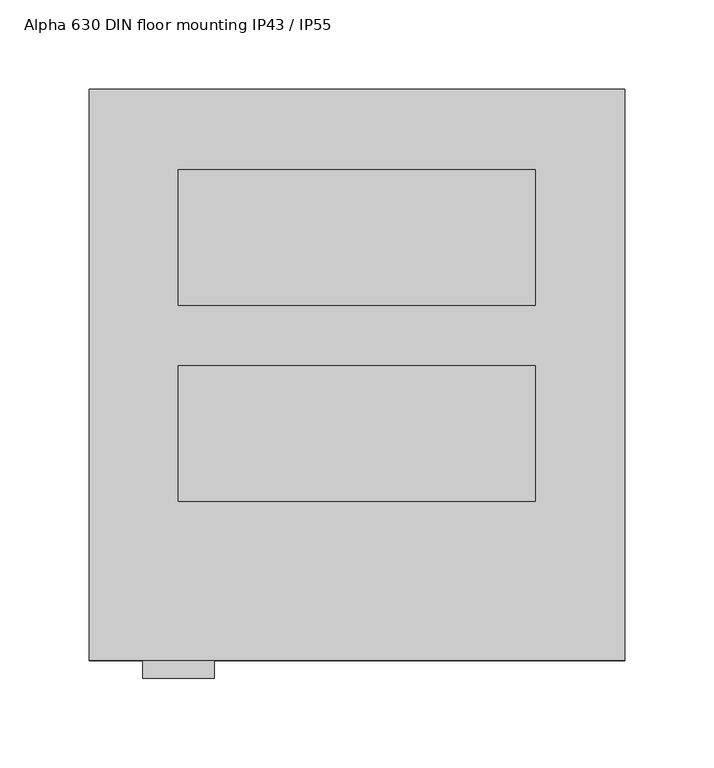
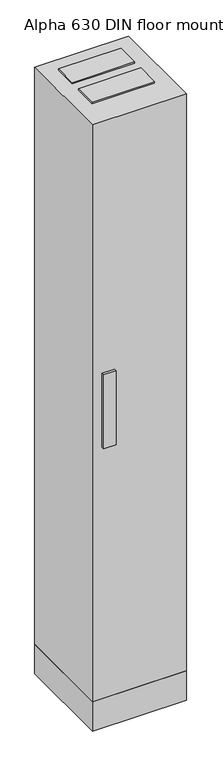
"""IFC4 building model written with IfcOpenShell, lengths in millimetres: proxy geometry, Alpha 630 DIN floor mounting IP43 / IP55."""

from ifc_helpers import new_model, si_unit, frame, origin, origin_with_axes, place, context, project, spatial, polyline, outline, extrude, source, transform, mapped, element, save


def alpha_630_din_floor_mounting_ip43_ip55_2631387a(model_context):
    return source(origin(), model_context, "Body", "SweptSolid", [
        extrude(outline(polyline([(250.0, -155.0), (250.0, -231.0), (50.0, -231.0), (50.0, -155.0), (250.0, -155.0)])), frame((0.0, 0.0, 2050.0), z_axis=(0.0, 0.0, 1.0), x_axis=(1.0, 0.0, 0.0)), (0.0, 0.0, 1.0), 5.0),
        extrude(outline(polyline([(250.0, -155.0), (250.0, -231.0), (50.0, -231.0), (50.0, -155.0), (250.0, -155.0)])), frame((0.0, 0.0, 95.0), z_axis=(0.0, 0.0, 1.0), x_axis=(1.0, 0.0, 0.0)), (0.0, 0.0, 1.0), 5.0),
        extrude(outline(polyline([(250.0, -45.0), (250.0, -121.0), (50.0, -121.0), (50.0, -45.0), (250.0, -45.0)])), frame((0.0, 0.0, 2050.0), z_axis=(0.0, 0.0, 1.0), x_axis=(1.0, 0.0, 0.0)), (0.0, 0.0, 1.0), 5.0),
        extrude(outline(polyline([(250.0, -45.0), (250.0, -121.0), (50.0, -121.0), (50.0, -45.0), (250.0, -45.0)])), frame((0.0, 0.0, 95.0), z_axis=(0.0, 0.0, 1.0), x_axis=(1.0, 0.0, 0.0)), (0.0, 0.0, 1.0), 5.0),
        extrude(outline(polyline([(70.0, -320.0), (70.0, -330.0), (30.0, -330.0), (30.0, -320.0), (70.0, -320.0)])), frame((0.0, 0.0, 950.0), z_axis=(0.0, 0.0, 1.0), x_axis=(1.0, 0.0, 0.0)), (0.0, 0.0, 1.0), 250.0),
        extrude(outline(polyline([(300.0, 0.0), (300.0, -320.0), (0.0, -320.0), (0.0, 0.0), (300.0, 0.0)])), frame((0.0, 0.0, 100.0), z_axis=(0.0, 0.0, 1.0), x_axis=(1.0, 0.0, 0.0)), (0.0, 0.0, 1.0), 1950.0),
        extrude(outline(polyline([(300.0, 0.0), (300.0, -320.0), (0.0, -320.0), (0.0, 0.0), (300.0, 0.0)])), origin_with_axes(), (0.0, 0.0, 1.0), 100.0),
    ])


if __name__ == "__main__":
    model = new_model("IFC4")
    model_context = context("Model", 3, world=origin())
    ifc_project = project(units=[si_unit("LENGTHUNIT", "METRE", prefix="MILLI")], contexts=[model_context])
    site = spatial("IfcSite", under=ifc_project)
    building = spatial("IfcBuilding", under=site)
    placement = place(None, origin())
    alpha_630_din_floor_mounting_ip43_ip55_shape = alpha_630_din_floor_mounting_ip43_ip55_2631387a(model_context)
    element("IfcBuildingElementProxy", 1, Name="Alpha 630 DIN floor mounting IP43 / IP55", ObjectType="Alpha 630 DIN floor mounting IP43 / IP55", at=placement, inside=building, context=model_context, shape_type="MappedRepresentation", body=[
        mapped(alpha_630_din_floor_mounting_ip43_ip55_shape, transform((0.0, 0.0, 0.0), x_axis=(1.0, 0.0, 0.0), y_axis=(0.0, 1.0, 0.0), z_axis=(0.0, 0.0, 1.0))),
    ])
    save(model, "model.ifc")
